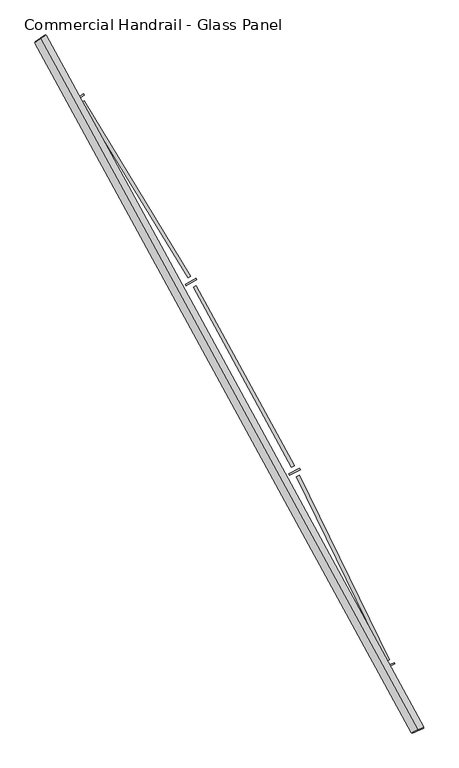
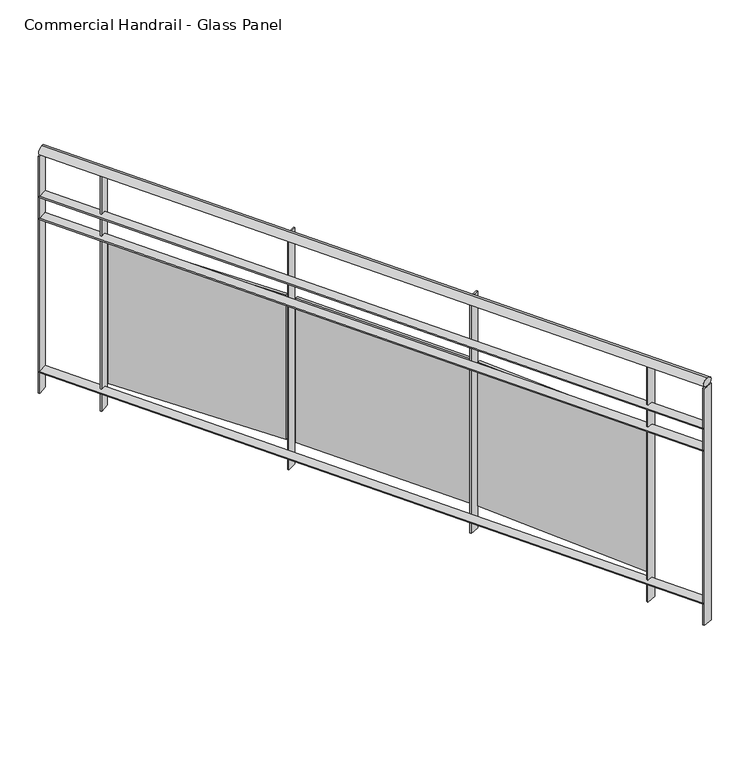
"""IFC4 building model written with IfcOpenShell, lengths in millimetres: railing geometry, Commercial Handrail - Glass Panel."""

import ifcopenshell
import ifcopenshell.guid

model = None  # the IFC model being written
_history = None  # IfcOwnerHistory: only IFC2X3 demands one
_inside = {}  # id of a spatial element -> (the spatial element, [elements in it])
_under = {}  # id of a project, library or spatial element -> (it, [spatial elements below it])
_declared = {}  # id of a project -> (the project, [libraries it declares])
_typed = {}  # id of a type object -> (the type object, [elements of that type])
_made_of = {}  # id of a material, layer set ... -> (it, [elements and type objects made of it])


def new_model(schema):
    """Start an empty IFC model of exactly this schema.

    Asked for "IFC4X3", IfcOpenShell would pick the latest addendum, in which some entities
    have other attributes; the version numbers below select the first issue.
    IFC2X3 requires an IfcOwnerHistory on every rooted entity: one is made here for all.
    """
    global model, _history
    if schema == "IFC4X3":
        model = ifcopenshell.file(schema_version=(4, 3, 0, 0))
    else:
        model = ifcopenshell.file(schema=schema)
    _inside.clear()
    _under.clear()
    _declared.clear()
    _typed.clear()
    _made_of.clear()
    _history = None
    if model.schema == "IFC2X3":
        org = make("IfcOrganization", Name="unknown")
        user = make(
            "IfcPersonAndOrganization",
            ThePerson=make("IfcPerson", FamilyName="unknown"),
            TheOrganization=org,
        )
        app = make(
            "IfcApplication",
            ApplicationDeveloper=org,
            Version="unknown",
            ApplicationFullName="unknown",
            ApplicationIdentifier="unknown",
        )
        _history = make(
            "IfcOwnerHistory",
            OwningUser=user,
            OwningApplication=app,
            ChangeAction="ADDED",
            CreationDate=0,
        )
    return model


def make(cls, **values):
    """One entity of the class cls with the attributes given. An attribute that is None is left unset."""
    return model.create_entity(
        cls, **{name: value for name, value in values.items() if value is not None}
    )


def rooted(cls, **values):
    """An entity with a GlobalId (a new one), such as an element, a storey or a relation."""
    return make(cls, GlobalId=ifcopenshell.guid.new(), OwnerHistory=_history, **values)


def si_unit(unit_type, name, prefix=None):
    """IfcSIUnit, for example si_unit("LENGTHUNIT", "METRE", prefix="MILLI")."""
    return make("IfcSIUnit", UnitType=unit_type, Prefix=prefix, Name=name)


def assignment(units):
    """IfcUnitAssignment: the units of a project."""
    return None if units is None else make("IfcUnitAssignment", Units=units)


def point(xyz):
    """IfcCartesianPoint."""
    return None if xyz is None else make("IfcCartesianPoint", Coordinates=xyz)


def direction(xyz):
    """IfcDirection."""
    return None if xyz is None else make("IfcDirection", DirectionRatios=xyz)


def frame(location, z_axis=None, x_axis=None):
    """IfcAxis2Placement3D, a coordinate frame: its origin and axes. An axis left out is left unset."""
    return make(
        "IfcAxis2Placement3D",
        Location=point(location),
        Axis=direction(z_axis),
        RefDirection=direction(x_axis),
    )


def origin():
    """The frame at (0, 0, 0) with its axes left unset."""
    return frame((0.0, 0.0, 0.0))


def place(relative_to, where):
    """IfcLocalPlacement: puts the frame where relative to a parent placement (None: the world)."""
    return make(
        "IfcLocalPlacement", PlacementRelTo=relative_to, RelativePlacement=where
    )


def context(
    kind, dimensions, precision=None, world=None, true_north=None, identifier=None
):
    """IfcGeometricRepresentationContext, for example the 3D "Model" context."""
    return make(
        "IfcGeometricRepresentationContext",
        ContextIdentifier=identifier,
        ContextType=kind,
        CoordinateSpaceDimension=dimensions,
        Precision=precision,
        WorldCoordinateSystem=world,
        TrueNorth=true_north,
    )


def project(units=None, contexts=None):
    """IfcProject with its units and contexts."""
    return rooted(
        "IfcProject",
        Name="project",
        RepresentationContexts=contexts,
        UnitsInContext=assignment(units),
    )


def spatial(cls, under=None, at=None, **own):
    """A site, building, storey or space (cls), placed at a placement, below another one or the project."""
    s = rooted(cls, ObjectPlacement=at, **own)
    if under is not None:
        _under.setdefault(under.id(), (under, []))[1].append(s)
    return s


def polyline(points):
    """IfcPolyline through the points."""
    return make("IfcPolyline", Points=[point(p) for p in points])


def circle_curve(where, radius):
    """IfcCircle in the frame where."""
    return make("IfcCircle", Position=where, Radius=radius)


def ellipse_curve(where, semi_axis1, semi_axis2):
    """IfcEllipse in the frame where."""
    return make(
        "IfcEllipse", Position=where, SemiAxis1=semi_axis1, SemiAxis2=semi_axis2
    )


def trimmed(basis, trim1, trim2, sense, master):
    """IfcTrimmedCurve: the piece of a basis curve between two trims."""
    return make(
        "IfcTrimmedCurve",
        BasisCurve=basis,
        Trim1=trim1,
        Trim2=trim2,
        SenseAgreement=sense,
        MasterRepresentation=master,
    )


def outline(outer, holes=None, kind="AREA"):
    """IfcArbitraryClosedProfileDef: a profile drawn as a closed curve; with holes, ...WithVoids."""
    if holes is None:
        return make("IfcArbitraryClosedProfileDef", ProfileType=kind, OuterCurve=outer)
    return make(
        "IfcArbitraryProfileDefWithVoids",
        ProfileType=kind,
        OuterCurve=outer,
        InnerCurves=holes,
    )


def extrude(swept, where, along, depth):
    """IfcExtrudedAreaSolid: the profile swept, set in the frame where, extruded along a direction by depth."""
    return make(
        "IfcExtrudedAreaSolid",
        SweptArea=swept,
        Position=where,
        ExtrudedDirection=direction(along),
        Depth=depth,
    )


def shape(context_of_items, identifier, shape_type, items):
    """IfcShapeRepresentation: the items that make up one representation, for example the "Body"."""
    return make(
        "IfcShapeRepresentation",
        ContextOfItems=context_of_items,
        RepresentationIdentifier=identifier,
        RepresentationType=shape_type,
        Items=items,
    )


def source(mapping_origin, context_of_items, identifier, shape_type, items):
    """IfcRepresentationMap: a shape defined once, which mapped items show again and again."""
    return make(
        "IfcRepresentationMap",
        MappingOrigin=mapping_origin,
        MappedRepresentation=shape(context_of_items, identifier, shape_type, items),
    )


def transform(
    local_origin,
    x_axis=None,
    y_axis=None,
    z_axis=None,
    scale=None,
    scale2=None,
    scale3=None,
    uniform=True,
):
    """IfcCartesianTransformationOperator3D, or its non-uniform kind. x_axis, y_axis, z_axis: its Axis1, 2, 3."""
    if uniform:
        return make(
            "IfcCartesianTransformationOperator3D",
            Axis1=direction(x_axis),
            Axis2=direction(y_axis),
            LocalOrigin=point(local_origin),
            Scale=scale,
            Axis3=direction(z_axis),
        )
    return make(
        "IfcCartesianTransformationOperator3DnonUniform",
        Axis1=direction(x_axis),
        Axis2=direction(y_axis),
        LocalOrigin=point(local_origin),
        Scale=scale,
        Axis3=direction(z_axis),
        Scale2=scale2,
        Scale3=scale3,
    )


def mapped(mapping_source, mapping_target):
    """IfcMappedItem: shows the shape of a source again, moved by a transform."""
    return make(
        "IfcMappedItem", MappingSource=mapping_source, MappingTarget=mapping_target
    )


def made_of(thing, what):
    """Note that an element or type object is made of a material, layer set ...; save() writes the relation."""
    if what is not None:
        _made_of.setdefault(what.id(), (what, []))[1].append(thing)
    return thing


def element(
    cls,
    number,
    at=None,
    inside=None,
    cuts=None,
    type_object=None,
    material=None,
    context=None,
    identifier="Body",
    shape_type=None,
    held_by="IfcProductDefinitionShape",
    body=None,
    shapes=None,
    **own,
):
    """One element of the class cls, such as IfcWall. Its Tag is "e" and its number.

    at: its placement. inside: the storey or other place that contains it. cuts: it is an
    opening in that element (IfcRelVoidsElement). A single representation is given by context,
    identifier, shape_type and body (its items); several are given by shapes. held_by: the class
    of the entity that holds the representations. save() writes the other relations.
    """
    e = rooted(cls, Tag="e%d" % number, ObjectPlacement=at, **own)
    if body is not None:
        shapes = [shape(context, identifier, shape_type, body)]
    if shapes is not None:
        e.Representation = make(held_by, Representations=shapes)
    if inside is not None:
        _inside.setdefault(inside.id(), (inside, []))[1].append(e)
    if cuts is not None:
        rooted(
            "IfcRelVoidsElement", RelatingBuildingElement=cuts, RelatedOpeningElement=e
        )
    if type_object is not None:
        _typed.setdefault(type_object.id(), (type_object, []))[1].append(e)
    return made_of(e, material)


def aggregate(whole, parts):
    """IfcRelAggregates: a whole, such as a stair, and the parts it consists of."""
    return rooted("IfcRelAggregates", RelatingObject=whole, RelatedObjects=parts)


def save(model, path):
    """Write the relations noted so far, then the file.

    IfcRelAggregates (storeys below a building ...), IfcRelContainedInSpatialStructure (elements
    in a storey), IfcRelDefinesByType, IfcRelAssociatesMaterial and IfcRelDeclares: one each for
    every whole, place, type object, material and project.
    """
    for whole, parts in _under.values():
        aggregate(whole, parts)
    for where, things in _inside.values():
        rooted(
            "IfcRelContainedInSpatialStructure",
            RelatedElements=things,
            RelatingStructure=where,
        )
    for kind, things in _typed.values():
        rooted("IfcRelDefinesByType", RelatedObjects=things, RelatingType=kind)
    for what, things in _made_of.values():
        rooted("IfcRelAssociatesMaterial", RelatedObjects=things, RelatingMaterial=what)
    for by, libraries in _declared.values():
        rooted("IfcRelDeclares", RelatingContext=by, RelatedDefinitions=libraries)
    model.write(path)


def plane_surface(at):
    """IfcPlane: the flat surface through the origin of the frame at, square to its z axis."""
    return make("IfcPlane", Position=at)


def cylinder_surface(at, radius):
    """IfcCylindricalSurface: all points at the distance radius from the z axis of the frame at."""
    return make("IfcCylindricalSurface", Position=at, Radius=radius)


def revolved_surface(curve, axis_point, axis_direction):
    """IfcSurfaceOfRevolution: the curve turned about the line through axis_point along axis_direction."""
    return make(
        "IfcSurfaceOfRevolution",
        SweptCurve=make("IfcArbitraryOpenProfileDef", ProfileType="CURVE", Curve=curve),
        AxisPosition=make("IfcAxis1Placement", Location=point(axis_point), Axis=direction(axis_direction)),
    )


def advanced_brep(points, edges, surfaces, faces):
    """IfcAdvancedBrep: a solid bounded by faces that lie on surfaces and meet in shared edges.

    An edge is (start, end): straight between two places in points (the first is 0);
    or (start, end, curve); or (start, end, curve, False) where it runs against its curve.
    A face is (place in surfaces, loops), or (place, loops, False) where it looks against
    its surface's normal. A loop lists edges by number (the first is 1), with a minus sign
    where the edge is run from its end to its start. The first loop is the outer one.
    """
    corners = [point(p) for p in points]
    vertices = [make("IfcVertexPoint", VertexGeometry=c) for c in corners]
    made = []
    for start, end, *more in edges:
        made.append(
            make(
                "IfcEdgeCurve",
                EdgeStart=vertices[start],
                EdgeEnd=vertices[end],
                EdgeGeometry=more[0] if more else make("IfcPolyline", Points=[corners[start], corners[end]]),
                SameSense=more[1] if len(more) > 1 else True,
            )
        )
    hull = []
    for where, loops, *sense in faces:
        bounds = []
        for j, loop in enumerate(loops):
            ring = [make("IfcOrientedEdge", EdgeElement=made[abs(k) - 1], Orientation=k > 0) for k in loop]
            bounds.append(
                make(
                    "IfcFaceOuterBound" if j == 0 else "IfcFaceBound",
                    Bound=make("IfcEdgeLoop", EdgeList=ring),
                    Orientation=True,
                )
            )
        hull.append(make("IfcAdvancedFace", Bounds=bounds, FaceSurface=surfaces[where], SameSense=sense[0] if sense else True))
    return make("IfcAdvancedBrep", Outer=make("IfcClosedShell", CfsFaces=hull))


def commercial_handrail_glass_panel_3f4fb276(model_context):
    return source(origin(), model_context, "Body", "SolidModel", [
        advanced_brep(
        [(152681.2087099, -42805.7971709, 26482.5), (154079.9485011, -45365.2391742, 26482.5), (154079.9485011, -45365.2391742, 26517.5), (152681.2087099, -42805.7971709, 26517.5)],
        [
            (0, 1, circle_curve(frame((138512.5563245, -52210.9198633, 26482.5), z_axis=(0.0, 0.0, -1.0), x_axis=(0.9154011077709024, 0.40254293173747885, 0.0)), 17006.0884179)),
            (1, 2, ellipse_curve(frame((154079.9485011, -45365.2391742, 26500.0), z_axis=(-0.402542931737485, 0.9154011077709, 0.0), x_axis=(0.9154011077708998, 0.4025429317374849, 0.0)), 25.0, 17.5)),
            (2, 3, circle_curve(frame((138512.5563245, -52210.9198633, 26517.5), z_axis=(0.0, 0.0, 1.0), x_axis=(0.9154011077709024, 0.40254293173747885, 0.0)), 17006.0884179)),
            (3, 0, ellipse_curve(frame((152681.2087099, -42805.7971709, 26500.0), z_axis=(0.5530444427532956, -0.8331517534877406, 0.0), x_axis=(0.8331517534877404, 0.5530444427532955, 0.0)), 25.0, 17.5)),
            (2, 1, ellipse_curve(frame((154079.9485011, -45365.2391742, 26500.0), z_axis=(-0.402542931737485, 0.9154011077709, 0.0), x_axis=(0.9154011077708998, 0.4025429317374849, 0.0)), 25.0, 17.5)),
            (0, 3, ellipse_curve(frame((152681.2087099, -42805.7971709, 26500.0), z_axis=(0.5530444427532956, -0.8331517534877406, 0.0), x_axis=(0.8331517534877404, 0.5530444427532955, 0.0)), 25.0, 17.5)),
        ],
        [
            revolved_surface(trimmed(ellipse_curve(frame((154079.9485011, -45365.2391742, 26500.0), z_axis=(0.40254293173747885, -0.9154011077709024, 0.0), x_axis=(0.0, 0.0, -1.0)), 17.5, 25.0), [point((154079.9485011, -45365.2391742, 26517.5))], [point((154079.9485011, -45365.2391742, 26482.5))], True, "CARTESIAN"), (138512.5563245, -52210.9198633, 26500.0), (0.0, 0.0, 1.0)),
            revolved_surface(trimmed(ellipse_curve(frame((154079.9485011, -45365.2391742, 26500.0), z_axis=(0.40254293173747885, -0.9154011077709024, 0.0), x_axis=(0.0, 0.0, -1.0)), 17.5, 25.0), [point((154079.9485011, -45365.2391742, 26482.5))], [point((154079.9485011, -45365.2391742, 26517.5))], True, "CARTESIAN"), (138512.5563245, -52210.9198633, 26500.0), (0.0, 0.0, 1.0)),
            plane_surface(frame((154079.9485011, -45365.2391742, 26500.0), z_axis=(0.4025429317374789, -0.9154011077709026, 0.0), x_axis=(0.9154011077709026, 0.4025429317374789, 0.0))),
            plane_surface(frame((152681.2087099, -42805.7971709, 26500.0), z_axis=(-0.5530444427532946, 0.8331517534877412, 0.0), x_axis=(0.8331517534877412, 0.5530444427532946, 0.0))),
        ],
        [
            (0, [[1, 2, 3, 4]]),
            (1, [[-3, 5, -1, 6]]),
            (2, [[-2, -5]]),
            (3, [[-6, -4]]),
        ],
    ),
        advanced_brep(
        [(152662.4627954, -42818.2406708, 26300.0), (154059.3519762, -45374.2963902, 26300.0), (154100.545026, -45356.1819583, 26300.0), (152699.9546243, -42793.3536709, 26300.0), (152662.4627954, -42818.2406708, 26294.0), (154059.3519762, -45374.2963902, 26294.0), (152699.9546243, -42793.3536709, 26294.0), (154100.545026, -45356.1819583, 26294.0)],
        [
            (0, 1, circle_curve(frame((138512.5563245, -52210.9198633, 26300.0), z_axis=(0.0, 0.0, -1.0), x_axis=(0.9154011077709024, 0.40254293173747885, 0.0)), 16983.5884179)),
            (1, 2),
            (2, 3, circle_curve(frame((138512.5563245, -52210.9198633, 26300.0), z_axis=(0.0, 0.0, 1.0), x_axis=(0.9154011077709024, 0.40254293173747885, 0.0)), 17028.5884179)),
            (3, 0),
            (4, 5, circle_curve(frame((138512.5563245, -52210.9198633, 26294.0), z_axis=(0.0, 0.0, -1.0), x_axis=(0.9154011077709024, 0.40254293173747885, 0.0)), 16983.5884179)),
            (5, 1),
            (0, 4),
            (6, 7, circle_curve(frame((138512.5563245, -52210.9198633, 26294.0), z_axis=(0.0, 0.0, -1.0), x_axis=(0.9154011077709024, 0.40254293173747885, 0.0)), 17028.5884179)),
            (7, 5),
            (4, 6),
            (2, 7),
            (6, 3),
        ],
        [
            plane_surface(frame((138512.5563245, -52210.9198633, 26300.0), z_axis=(0.0, 0.0, 1.0000000000000002), x_axis=(0.9154011077709026, 0.4025429317374789, 0.0))),
            revolved_surface(polyline([(154059.35197617073, -45374.296390135845, 26300.0), (154059.35197617073, -45374.296390135845, 26294.0)]), (138512.5563245, -52210.9198633, 26300.0), (0.0, 0.0, 1.0)),
            plane_surface(frame((138512.5563245, -52210.9198633, 26294.0), z_axis=(0.0, 0.0, -1.0000000000000002), x_axis=(0.9154011077709026, 0.4025429317374789, 0.0))),
            cylinder_surface(frame((138512.5563245, -52210.9198633, 26300.0), z_axis=(0.0, 0.0, 1.0), x_axis=(0.9154011077709024, 0.40254293173747885, 0.0)), 17028.5884179),
            plane_surface(frame((154079.9485011, -45365.2391742, 26300.0), z_axis=(0.4025429317374789, -0.9154011077709026, 0.0), x_axis=(0.9154011077709026, 0.4025429317374789, 0.0))),
            plane_surface(frame((152681.2087099, -42805.7971709, 26300.0), z_axis=(-0.5530444427532946, 0.8331517534877412, 0.0), x_axis=(0.8331517534877412, 0.5530444427532946, 0.0))),
        ],
        [
            (0, [[1, 2, 3, 4]]),
            (1, [[5, 6, -1, 7]]),
            (2, [[8, 9, -5, 10]]),
            (3, [[-3, 11, -8, 12]]),
            (4, [[-2, -6, -9, -11]]),
            (5, [[-12, -10, -7, -4]]),
        ],
    ),
        advanced_brep(
        [(152662.4627954, -42818.2406708, 26200.0), (154059.3519762, -45374.2963902, 26200.0), (154100.545026, -45356.1819583, 26200.0), (152699.9546243, -42793.3536709, 26200.0), (152662.4627954, -42818.2406708, 26194.0), (154059.3519762, -45374.2963902, 26194.0), (152699.9546243, -42793.3536709, 26194.0), (154100.545026, -45356.1819583, 26194.0)],
        [
            (0, 1, circle_curve(frame((138512.5563245, -52210.9198633, 26200.0), z_axis=(0.0, 0.0, -1.0), x_axis=(0.9154011077709024, 0.40254293173747885, 0.0)), 16983.5884179)),
            (1, 2),
            (2, 3, circle_curve(frame((138512.5563245, -52210.9198633, 26200.0), z_axis=(0.0, 0.0, 1.0), x_axis=(0.9154011077709024, 0.40254293173747885, 0.0)), 17028.5884179)),
            (3, 0),
            (4, 5, circle_curve(frame((138512.5563245, -52210.9198633, 26194.0), z_axis=(0.0, 0.0, -1.0), x_axis=(0.9154011077709024, 0.40254293173747885, 0.0)), 16983.5884179)),
            (5, 1),
            (0, 4),
            (6, 7, circle_curve(frame((138512.5563245, -52210.9198633, 26194.0), z_axis=(0.0, 0.0, -1.0), x_axis=(0.9154011077709024, 0.40254293173747885, 0.0)), 17028.5884179)),
            (7, 5),
            (4, 6),
            (2, 7),
            (6, 3),
        ],
        [
            plane_surface(frame((138512.5563245, -52210.9198633, 26200.0), z_axis=(0.0, 0.0, 1.0000000000000002), x_axis=(0.9154011077709026, 0.4025429317374789, 0.0))),
            revolved_surface(polyline([(154059.35197617073, -45374.296390135845, 26200.0), (154059.35197617073, -45374.296390135845, 26194.0)]), (138512.5563245, -52210.9198633, 26200.0), (0.0, 0.0, 1.0)),
            plane_surface(frame((138512.5563245, -52210.9198633, 26194.0), z_axis=(0.0, 0.0, -1.0000000000000002), x_axis=(0.9154011077709026, 0.4025429317374789, 0.0))),
            cylinder_surface(frame((138512.5563245, -52210.9198633, 26200.0), z_axis=(0.0, 0.0, 1.0), x_axis=(0.9154011077709024, 0.40254293173747885, 0.0)), 17028.5884179),
            plane_surface(frame((154079.9485011, -45365.2391742, 26200.0), z_axis=(0.4025429317374789, -0.9154011077709026, 0.0), x_axis=(0.9154011077709026, 0.4025429317374789, 0.0))),
            plane_surface(frame((152681.2087099, -42805.7971709, 26200.0), z_axis=(-0.5530444427532946, 0.8331517534877412, 0.0), x_axis=(0.8331517534877412, 0.5530444427532946, 0.0))),
        ],
        [
            (0, [[1, 2, 3, 4]]),
            (1, [[5, 6, -1, 7]]),
            (2, [[8, 9, -5, 10]]),
            (3, [[-3, 11, -8, 12]]),
            (4, [[-2, -6, -9, -11]]),
            (5, [[-12, -10, -7, -4]]),
        ],
    ),
        advanced_brep(
        [(152662.4627954, -42818.2406708, 25500.0), (154059.3519762, -45374.2963902, 25500.0), (154100.545026, -45356.1819583, 25500.0), (152699.9546243, -42793.3536709, 25500.0), (152662.4627954, -42818.2406708, 25494.0), (154059.3519762, -45374.2963902, 25494.0), (152699.9546243, -42793.3536709, 25494.0), (154100.545026, -45356.1819583, 25494.0)],
        [
            (0, 1, circle_curve(frame((138512.5563245, -52210.9198633, 25500.0), z_axis=(0.0, 0.0, -1.0), x_axis=(0.9154011077709024, 0.40254293173747885, 0.0)), 16983.5884179)),
            (1, 2),
            (2, 3, circle_curve(frame((138512.5563245, -52210.9198633, 25500.0), z_axis=(0.0, 0.0, 1.0), x_axis=(0.9154011077709024, 0.40254293173747885, 0.0)), 17028.5884179)),
            (3, 0),
            (4, 5, circle_curve(frame((138512.5563245, -52210.9198633, 25494.0), z_axis=(0.0, 0.0, -1.0), x_axis=(0.9154011077709024, 0.40254293173747885, 0.0)), 16983.5884179)),
            (5, 1),
            (0, 4),
            (6, 7, circle_curve(frame((138512.5563245, -52210.9198633, 25494.0), z_axis=(0.0, 0.0, -1.0), x_axis=(0.9154011077709024, 0.40254293173747885, 0.0)), 17028.5884179)),
            (7, 5),
            (4, 6),
            (2, 7),
            (6, 3),
        ],
        [
            plane_surface(frame((138512.5563245, -52210.9198633, 25500.0), z_axis=(0.0, 0.0, 1.0000000000000002), x_axis=(0.9154011077709026, 0.4025429317374789, 0.0))),
            revolved_surface(polyline([(154059.35197617073, -45374.296390135845, 25500.0), (154059.35197617073, -45374.296390135845, 25494.0)]), (138512.5563245, -52210.9198633, 25500.0), (0.0, 0.0, 1.0)),
            plane_surface(frame((138512.5563245, -52210.9198633, 25494.0), z_axis=(0.0, 0.0, -1.0000000000000002), x_axis=(0.9154011077709026, 0.4025429317374789, 0.0))),
            cylinder_surface(frame((138512.5563245, -52210.9198633, 25500.0), z_axis=(0.0, 0.0, 1.0), x_axis=(0.9154011077709024, 0.40254293173747885, 0.0)), 17028.5884179),
            plane_surface(frame((154079.9485011, -45365.2391742, 25500.0), z_axis=(0.4025429317374789, -0.9154011077709026, 0.0), x_axis=(0.9154011077709026, 0.4025429317374789, 0.0))),
            plane_surface(frame((152681.2087099, -42805.7971709, 25500.0), z_axis=(-0.5530444427532946, 0.8331517534877412, 0.0), x_axis=(0.8331517534877412, 0.5530444427532946, 0.0))),
        ],
        [
            (0, [[1, 2, 3, 4]]),
            (1, [[5, 6, -1, 7]]),
            (2, [[8, 9, -5, 10]]),
            (3, [[-3, 11, -8, 12]]),
            (4, [[-2, -6, -9, -11]]),
            (5, [[-12, -10, -7, -4]]),
        ],
    ),
        extrude(outline(polyline([(152843.9746071, -43014.0028518), (152806.1064717, -43038.3134324), (152802.865061, -43033.2643477), (152840.7331963, -43008.9537671), (152843.9746071, -43014.0028518)])), frame((0.0, 0.0, 25400.0), z_axis=(0.0, 0.0, 1.0), x_axis=(1.0, 0.0, 0.0)), (0.0, 0.0, 1.0), 1082.1192282),
        extrude(outline(polyline([(153228.1233935, -43690.3863087), (152832.6997466, -43041.3561558), (152842.9475911, -43035.1126245), (153238.371238, -43684.1427775), (153228.1233935, -43690.3863087)])), frame((0.0, 0.0, 25520.0), z_axis=(0.0, 0.0, 1.0), x_axis=(1.0, 0.0, 0.0)), (0.0, 0.0, 1.0), 660.0),
        extrude(outline(polyline([(153260.6017897, -43698.1067288), (153221.6323507, -43720.6096803), (153218.6319572, -43715.4137551), (153257.6013961, -43692.9108036), (153260.6017897, -43698.1067288)])), frame((0.0, 0.0, 25400.0), z_axis=(0.0, 0.0, 1.0), x_axis=(1.0, 0.0, 0.0)), (0.0, 0.0, 1.0), 1082.1192282),
        extrude(outline(polyline([(153612.5189238, -44391.8063767), (153248.0531233, -43724.8995764), (153258.5832307, -43719.1448533), (153623.0490312, -44386.0516536), (153612.5189238, -44391.8063767)])), frame((0.0, 0.0, 25520.0), z_axis=(0.0, 0.0, 1.0), x_axis=(1.0, 0.0, 0.0)), (0.0, 0.0, 1.0), 660.0),
        extrude(outline(polyline([(153644.5983402, -44401.0455404), (153604.6138191, -44421.6910742), (153601.8610812, -44416.3598047), (153641.8456024, -44395.7142709), (153644.5983402, -44401.0455404)])), frame((0.0, 0.0, 25400.0), z_axis=(0.0, 0.0, 1.0), x_axis=(1.0, 0.0, 0.0)), (0.0, 0.0, 1.0), 1082.1192282),
        extrude(outline(polyline([(153963.5051916, -45110.5265416), (153630.8036324, -44427.2186516), (153641.5927043, -44421.9654691), (153974.2942635, -45105.273359), (153963.5051916, -45110.5265416)])), frame((0.0, 0.0, 25520.0), z_axis=(0.0, 0.0, 1.0), x_axis=(1.0, 0.0, 0.0)), (0.0, 0.0, 1.0), 660.0),
        extrude(outline(polyline([(153995.1146513, -45121.2640068), (153954.2035152, -45140.0064439), (153951.7045236, -45134.5516257), (153992.6156597, -45115.8091887), (153995.1146513, -45121.2640068)])), frame((0.0, 0.0, 25400.0), z_axis=(0.0, 0.0, 1.0), x_axis=(1.0, 0.0, 0.0)), (0.0, 0.0, 1.0), 1082.1192282),
        extrude(outline(polyline([(152701.6137576, -42795.8531262), (152664.1219287, -42820.7401261), (152660.8036621, -42815.7412156), (152698.295491, -42790.8542156), (152701.6137576, -42795.8531262)])), frame((0.0, 0.0, 25400.0), z_axis=(0.0, 0.0, 1.0), x_axis=(1.0, 0.0, 0.0)), (0.0, 0.0, 1.0), 1082.1192282),
        extrude(outline(polyline([(154101.7526548, -45358.9281616), (154060.559605, -45377.0425935), (154058.1443474, -45371.5501869), (154099.3373972, -45353.4357549), (154101.7526548, -45358.9281616)])), frame((0.0, 0.0, 25400.0), z_axis=(0.0, 0.0, 1.0), x_axis=(1.0, 0.0, 0.0)), (0.0, 0.0, 1.0), 1082.1192282),
    ])


if __name__ == "__main__":
    model = new_model("IFC4")
    model_context = context("Model", 3, world=origin())
    ifc_project = project(units=[si_unit("LENGTHUNIT", "METRE", prefix="MILLI")], contexts=[model_context])
    site = spatial("IfcSite", under=ifc_project)
    building = spatial("IfcBuilding", under=site)
    placement = place(None, origin())
    commercial_handrail_glass_panel_shape = commercial_handrail_glass_panel_3f4fb276(model_context)
    element("IfcRailing", 1, ObjectType="Commercial Handrail - Glass Panel", at=placement, inside=building, context=model_context, shape_type="MappedRepresentation", body=[
        mapped(commercial_handrail_glass_panel_shape, transform((0.0, 0.0, 0.0), x_axis=(1.0, 0.0, 0.0), y_axis=(0.0, 1.0, 0.0), z_axis=(0.0, 0.0, 1.0))),
    ])
    save(model, "model.ifc")
